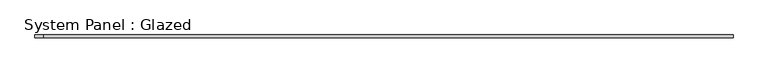
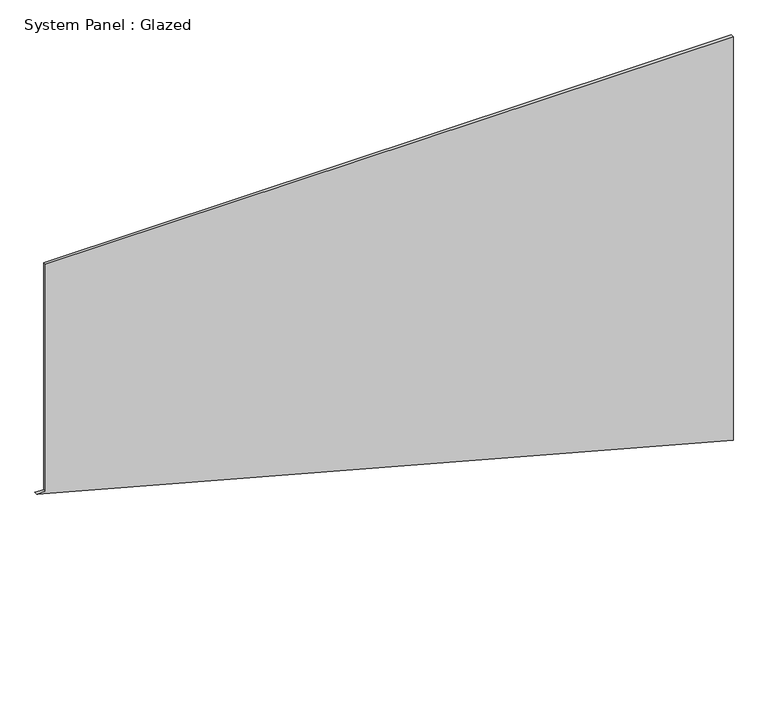
"""IFC4 building model written with IfcOpenShell, lengths in millimetres: plate geometry, System Panel : Glazed."""

import ifcopenshell
import ifcopenshell.guid

model = None  # the IFC model being written
_history = None  # IfcOwnerHistory: only IFC2X3 demands one
_inside = {}  # id of a spatial element -> (the spatial element, [elements in it])
_under = {}  # id of a project, library or spatial element -> (it, [spatial elements below it])
_declared = {}  # id of a project -> (the project, [libraries it declares])
_typed = {}  # id of a type object -> (the type object, [elements of that type])
_made_of = {}  # id of a material, layer set ... -> (it, [elements and type objects made of it])


def new_model(schema):
    """Start an empty IFC model of exactly this schema.

    Asked for "IFC4X3", IfcOpenShell would pick the latest addendum, in which some entities
    have other attributes; the version numbers below select the first issue.
    IFC2X3 requires an IfcOwnerHistory on every rooted entity: one is made here for all.
    """
    global model, _history
    if schema == "IFC4X3":
        model = ifcopenshell.file(schema_version=(4, 3, 0, 0))
    else:
        model = ifcopenshell.file(schema=schema)
    _inside.clear()
    _under.clear()
    _declared.clear()
    _typed.clear()
    _made_of.clear()
    _history = None
    if model.schema == "IFC2X3":
        org = make("IfcOrganization", Name="unknown")
        user = make(
            "IfcPersonAndOrganization",
            ThePerson=make("IfcPerson", FamilyName="unknown"),
            TheOrganization=org,
        )
        app = make(
            "IfcApplication",
            ApplicationDeveloper=org,
            Version="unknown",
            ApplicationFullName="unknown",
            ApplicationIdentifier="unknown",
        )
        _history = make(
            "IfcOwnerHistory",
            OwningUser=user,
            OwningApplication=app,
            ChangeAction="ADDED",
            CreationDate=0,
        )
    return model


def make(cls, **values):
    """One entity of the class cls with the attributes given. An attribute that is None is left unset."""
    return model.create_entity(
        cls, **{name: value for name, value in values.items() if value is not None}
    )


def rooted(cls, **values):
    """An entity with a GlobalId (a new one), such as an element, a storey or a relation."""
    return make(cls, GlobalId=ifcopenshell.guid.new(), OwnerHistory=_history, **values)


def si_unit(unit_type, name, prefix=None):
    """IfcSIUnit, for example si_unit("LENGTHUNIT", "METRE", prefix="MILLI")."""
    return make("IfcSIUnit", UnitType=unit_type, Prefix=prefix, Name=name)


def assignment(units):
    """IfcUnitAssignment: the units of a project."""
    return None if units is None else make("IfcUnitAssignment", Units=units)


def point(xyz):
    """IfcCartesianPoint."""
    return None if xyz is None else make("IfcCartesianPoint", Coordinates=xyz)


def direction(xyz):
    """IfcDirection."""
    return None if xyz is None else make("IfcDirection", DirectionRatios=xyz)


def frame(location, z_axis=None, x_axis=None):
    """IfcAxis2Placement3D, a coordinate frame: its origin and axes. An axis left out is left unset."""
    return make(
        "IfcAxis2Placement3D",
        Location=point(location),
        Axis=direction(z_axis),
        RefDirection=direction(x_axis),
    )


def origin():
    """The frame at (0, 0, 0) with its axes left unset."""
    return frame((0.0, 0.0, 0.0))


def place(relative_to, where):
    """IfcLocalPlacement: puts the frame where relative to a parent placement (None: the world)."""
    return make(
        "IfcLocalPlacement", PlacementRelTo=relative_to, RelativePlacement=where
    )


def context(
    kind, dimensions, precision=None, world=None, true_north=None, identifier=None
):
    """IfcGeometricRepresentationContext, for example the 3D "Model" context."""
    return make(
        "IfcGeometricRepresentationContext",
        ContextIdentifier=identifier,
        ContextType=kind,
        CoordinateSpaceDimension=dimensions,
        Precision=precision,
        WorldCoordinateSystem=world,
        TrueNorth=true_north,
    )


def project(units=None, contexts=None):
    """IfcProject with its units and contexts."""
    return rooted(
        "IfcProject",
        Name="project",
        RepresentationContexts=contexts,
        UnitsInContext=assignment(units),
    )


def spatial(cls, under=None, at=None, **own):
    """A site, building, storey or space (cls), placed at a placement, below another one or the project."""
    s = rooted(cls, ObjectPlacement=at, **own)
    if under is not None:
        _under.setdefault(under.id(), (under, []))[1].append(s)
    return s


def polyline(points):
    """IfcPolyline through the points."""
    return make("IfcPolyline", Points=[point(p) for p in points])


def outline(outer, holes=None, kind="AREA"):
    """IfcArbitraryClosedProfileDef: a profile drawn as a closed curve; with holes, ...WithVoids."""
    if holes is None:
        return make("IfcArbitraryClosedProfileDef", ProfileType=kind, OuterCurve=outer)
    return make(
        "IfcArbitraryProfileDefWithVoids",
        ProfileType=kind,
        OuterCurve=outer,
        InnerCurves=holes,
    )


def extrude(swept, where, along, depth):
    """IfcExtrudedAreaSolid: the profile swept, set in the frame where, extruded along a direction by depth."""
    return make(
        "IfcExtrudedAreaSolid",
        SweptArea=swept,
        Position=where,
        ExtrudedDirection=direction(along),
        Depth=depth,
    )


def shape(context_of_items, identifier, shape_type, items):
    """IfcShapeRepresentation: the items that make up one representation, for example the "Body"."""
    return make(
        "IfcShapeRepresentation",
        ContextOfItems=context_of_items,
        RepresentationIdentifier=identifier,
        RepresentationType=shape_type,
        Items=items,
    )


def source(mapping_origin, context_of_items, identifier, shape_type, items):
    """IfcRepresentationMap: a shape defined once, which mapped items show again and again."""
    return make(
        "IfcRepresentationMap",
        MappingOrigin=mapping_origin,
        MappedRepresentation=shape(context_of_items, identifier, shape_type, items),
    )


def transform(
    local_origin,
    x_axis=None,
    y_axis=None,
    z_axis=None,
    scale=None,
    scale2=None,
    scale3=None,
    uniform=True,
):
    """IfcCartesianTransformationOperator3D, or its non-uniform kind. x_axis, y_axis, z_axis: its Axis1, 2, 3."""
    if uniform:
        return make(
            "IfcCartesianTransformationOperator3D",
            Axis1=direction(x_axis),
            Axis2=direction(y_axis),
            LocalOrigin=point(local_origin),
            Scale=scale,
            Axis3=direction(z_axis),
        )
    return make(
        "IfcCartesianTransformationOperator3DnonUniform",
        Axis1=direction(x_axis),
        Axis2=direction(y_axis),
        LocalOrigin=point(local_origin),
        Scale=scale,
        Axis3=direction(z_axis),
        Scale2=scale2,
        Scale3=scale3,
    )


def mapped(mapping_source, mapping_target):
    """IfcMappedItem: shows the shape of a source again, moved by a transform."""
    return make(
        "IfcMappedItem", MappingSource=mapping_source, MappingTarget=mapping_target
    )


def made_of(thing, what):
    """Note that an element or type object is made of a material, layer set ...; save() writes the relation."""
    if what is not None:
        _made_of.setdefault(what.id(), (what, []))[1].append(thing)
    return thing


def element(
    cls,
    number,
    at=None,
    inside=None,
    cuts=None,
    type_object=None,
    material=None,
    context=None,
    identifier="Body",
    shape_type=None,
    held_by="IfcProductDefinitionShape",
    body=None,
    shapes=None,
    **own,
):
    """One element of the class cls, such as IfcWall. Its Tag is "e" and its number.

    at: its placement. inside: the storey or other place that contains it. cuts: it is an
    opening in that element (IfcRelVoidsElement). A single representation is given by context,
    identifier, shape_type and body (its items); several are given by shapes. held_by: the class
    of the entity that holds the representations. save() writes the other relations.
    """
    e = rooted(cls, Tag="e%d" % number, ObjectPlacement=at, **own)
    if body is not None:
        shapes = [shape(context, identifier, shape_type, body)]
    if shapes is not None:
        e.Representation = make(held_by, Representations=shapes)
    if inside is not None:
        _inside.setdefault(inside.id(), (inside, []))[1].append(e)
    if cuts is not None:
        rooted(
            "IfcRelVoidsElement", RelatingBuildingElement=cuts, RelatedOpeningElement=e
        )
    if type_object is not None:
        _typed.setdefault(type_object.id(), (type_object, []))[1].append(e)
    return made_of(e, material)


def aggregate(whole, parts):
    """IfcRelAggregates: a whole, such as a stair, and the parts it consists of."""
    return rooted("IfcRelAggregates", RelatingObject=whole, RelatedObjects=parts)


def save(model, path):
    """Write the relations noted so far, then the file.

    IfcRelAggregates (storeys below a building ...), IfcRelContainedInSpatialStructure (elements
    in a storey), IfcRelDefinesByType, IfcRelAssociatesMaterial and IfcRelDeclares: one each for
    every whole, place, type object, material and project.
    """
    for whole, parts in _under.values():
        aggregate(whole, parts)
    for where, things in _inside.values():
        rooted(
            "IfcRelContainedInSpatialStructure",
            RelatedElements=things,
            RelatingStructure=where,
        )
    for kind, things in _typed.values():
        rooted("IfcRelDefinesByType", RelatedObjects=things, RelatingType=kind)
    for what, things in _made_of.values():
        rooted("IfcRelAssociatesMaterial", RelatedObjects=things, RelatingMaterial=what)
    for by, libraries in _declared.values():
        rooted("IfcRelDeclares", RelatingContext=by, RelatedDefinitions=libraries)
    model.write(path)


def system_panel_glazed_79108d30(model_context):
    return source(origin(), model_context, "Body", "SweptSolid", [
        extrude(outline(polyline([(1587.5989652, -2962.5), (0.0, 2962.5), (3628.2804817, 2962.5), (3628.2804817, -2887.5), (1587.5989652, -2887.5), (1587.5989652, -2962.5)])), frame((0.0, -22.5, 0.0), z_axis=(0.0, 1.0, 0.0), x_axis=(0.0, 0.0, 1.0)), (0.0, 0.0, 1.0), 25.0),
    ])


if __name__ == "__main__":
    model = new_model("IFC4")
    model_context = context("Model", 3, world=origin())
    ifc_project = project(units=[si_unit("LENGTHUNIT", "METRE", prefix="MILLI")], contexts=[model_context])
    site = spatial("IfcSite", under=ifc_project)
    building = spatial("IfcBuilding", under=site)
    placement = place(None, origin())
    system_panel_glazed_shape = system_panel_glazed_79108d30(model_context)
    element("IfcPlate", 1, ObjectType="System Panel : Glazed", at=placement, inside=building, context=model_context, shape_type="MappedRepresentation", body=[
        mapped(system_panel_glazed_shape, transform((0.0, 0.0, 0.0), x_axis=(1.0, 0.0, 0.0), y_axis=(0.0, 1.0, 0.0), z_axis=(0.0, 0.0, 1.0))),
    ])
    save(model, "model.ifc")
